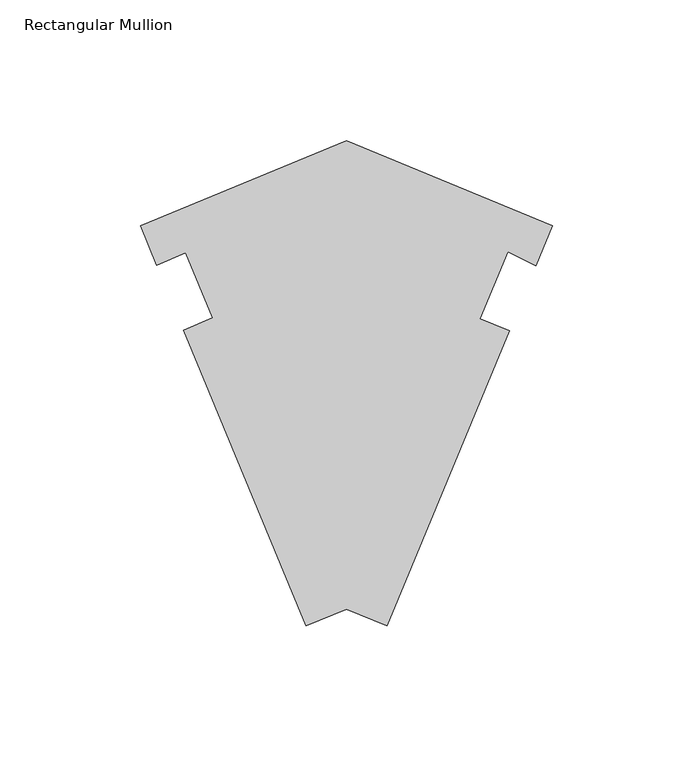
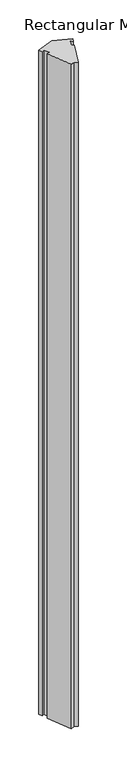
"""IFC4 building model written with IfcOpenShell, lengths in millimetres: member geometry, Rectangular Mullion."""

from ifc_helpers import new_model, si_unit, frame, origin, place, context, project, spatial, polyline, outline, extrude, source, transform, mapped, element, save


def rectangular_mullion_6f687ccc(model_context):
    return source(origin(), model_context, "Body", "SweptSolid", [
        extrude(outline(polyline([(-73.3329379, 82.7201449), (0.0, 52.3446474), (-5.8474318, 38.2276984), (-15.9607912, 43.1603134), (-25.841682, 19.3057327), (-15.4279392, 15.0983075), (-58.9333251, -89.9329853), (-73.3661246, -83.9547241), (-87.7422708, -89.9095188), (-131.3070212, 15.2650925), (-121.0775215, 19.6072575), (-130.6778457, 42.7844901), (-140.9073453, 38.4423251), (-146.6658758, 52.3446474), (-73.3329379, 82.7201449)])), frame((0.0, 0.0, -3048.0), z_axis=(0.0, 0.0, 1.0), x_axis=(1.0, 0.0, 0.0)), (0.0, 0.0, 1.0), 3048.0),
    ])


if __name__ == "__main__":
    model = new_model("IFC4")
    model_context = context("Model", 3, world=origin())
    ifc_project = project(units=[si_unit("LENGTHUNIT", "METRE", prefix="MILLI")], contexts=[model_context])
    site = spatial("IfcSite", under=ifc_project)
    building = spatial("IfcBuilding", under=site)
    placement = place(None, origin())
    rectangular_mullion_shape = rectangular_mullion_6f687ccc(model_context)
    element("IfcMember", 1, ObjectType="Rectangular Mullion", at=placement, inside=building, context=model_context, shape_type="MappedRepresentation", body=[
        mapped(rectangular_mullion_shape, transform((0.0, 0.0, 0.0), x_axis=(1.0, 0.0, 0.0), y_axis=(0.0, 1.0, 0.0), z_axis=(0.0, 0.0, 1.0))),
    ])
    save(model, "model.ifc")
